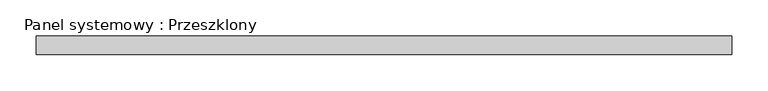
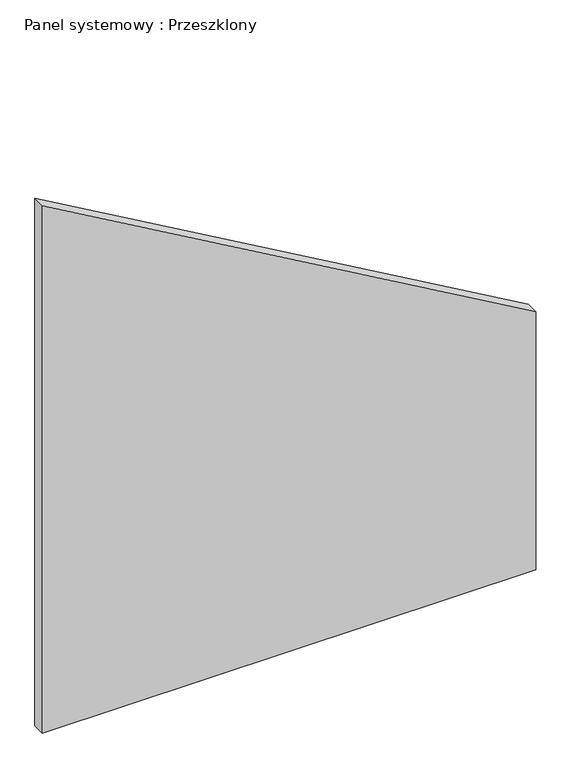
"""IFC4 building model written with IfcOpenShell, lengths in millimetres: plate geometry, Panel systemowy : Przeszklony."""

from ifc_helpers import new_model, si_unit, frame, origin, place, context, project, spatial, polyline, outline, extrude, source, transform, mapped, element, save


def panel_systemowy_przeszklony_e1e3377c(model_context):
    return source(origin(), model_context, "Body", "SweptSolid", [
        extrude(outline(polyline([(0.0, -477.5), (0.0, 477.5), (528.1011064, 477.5), (1079.4706135, -477.5), (0.0, -477.5)])), frame((0.0, -12.5, 0.0), z_axis=(0.0, 1.0, 0.0), x_axis=(0.0, 0.0, 1.0)), (0.0, 0.0, 1.0), 25.0),
    ])


if __name__ == "__main__":
    model = new_model("IFC4")
    model_context = context("Model", 3, world=origin())
    ifc_project = project(units=[si_unit("LENGTHUNIT", "METRE", prefix="MILLI")], contexts=[model_context])
    site = spatial("IfcSite", under=ifc_project)
    building = spatial("IfcBuilding", under=site)
    placement = place(None, origin())
    panel_systemowy_przeszklony_shape = panel_systemowy_przeszklony_e1e3377c(model_context)
    element("IfcPlate", 1, ObjectType="Panel systemowy : Przeszklony", at=placement, inside=building, context=model_context, shape_type="MappedRepresentation", body=[
        mapped(panel_systemowy_przeszklony_shape, transform((0.0, 0.0, 0.0), x_axis=(1.0, 0.0, 0.0), y_axis=(0.0, 1.0, 0.0), z_axis=(0.0, 0.0, 1.0))),
    ])
    save(model, "model.ifc")
